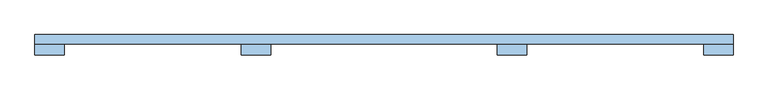
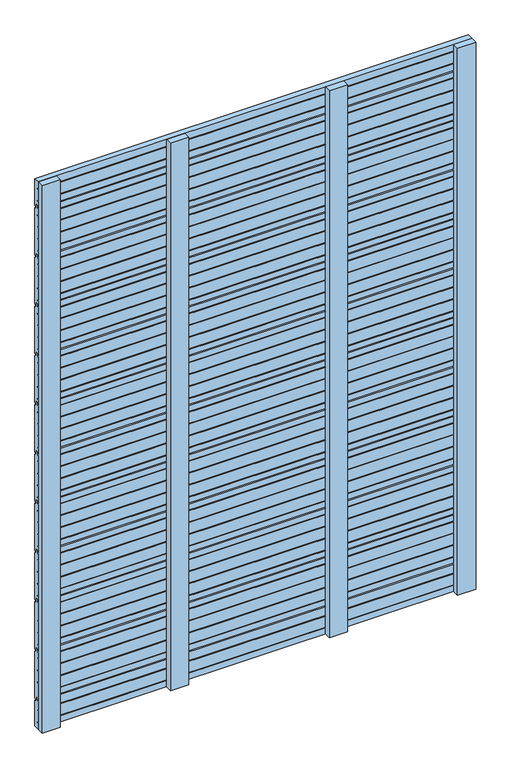
"""IFC4 building model written with IfcOpenShell, lengths in millimetres: window geometry."""

import ifcopenshell
import ifcopenshell.guid

model = None  # the IFC model being written
_history = None  # IfcOwnerHistory: only IFC2X3 demands one
_inside = {}  # id of a spatial element -> (the spatial element, [elements in it])
_under = {}  # id of a project, library or spatial element -> (it, [spatial elements below it])
_declared = {}  # id of a project -> (the project, [libraries it declares])
_typed = {}  # id of a type object -> (the type object, [elements of that type])
_made_of = {}  # id of a material, layer set ... -> (it, [elements and type objects made of it])


def new_model(schema):
    """Start an empty IFC model of exactly this schema.

    Asked for "IFC4X3", IfcOpenShell would pick the latest addendum, in which some entities
    have other attributes; the version numbers below select the first issue.
    IFC2X3 requires an IfcOwnerHistory on every rooted entity: one is made here for all.
    """
    global model, _history
    if schema == "IFC4X3":
        model = ifcopenshell.file(schema_version=(4, 3, 0, 0))
    else:
        model = ifcopenshell.file(schema=schema)
    _inside.clear()
    _under.clear()
    _declared.clear()
    _typed.clear()
    _made_of.clear()
    _history = None
    if model.schema == "IFC2X3":
        org = make("IfcOrganization", Name="unknown")
        user = make(
            "IfcPersonAndOrganization",
            ThePerson=make("IfcPerson", FamilyName="unknown"),
            TheOrganization=org,
        )
        app = make(
            "IfcApplication",
            ApplicationDeveloper=org,
            Version="unknown",
            ApplicationFullName="unknown",
            ApplicationIdentifier="unknown",
        )
        _history = make(
            "IfcOwnerHistory",
            OwningUser=user,
            OwningApplication=app,
            ChangeAction="ADDED",
            CreationDate=0,
        )
    return model


def make(cls, **values):
    """One entity of the class cls with the attributes given. An attribute that is None is left unset."""
    return model.create_entity(
        cls, **{name: value for name, value in values.items() if value is not None}
    )


def rooted(cls, **values):
    """An entity with a GlobalId (a new one), such as an element, a storey or a relation."""
    return make(cls, GlobalId=ifcopenshell.guid.new(), OwnerHistory=_history, **values)


def si_unit(unit_type, name, prefix=None):
    """IfcSIUnit, for example si_unit("LENGTHUNIT", "METRE", prefix="MILLI")."""
    return make("IfcSIUnit", UnitType=unit_type, Prefix=prefix, Name=name)


def assignment(units):
    """IfcUnitAssignment: the units of a project."""
    return None if units is None else make("IfcUnitAssignment", Units=units)


def point(xyz):
    """IfcCartesianPoint."""
    return None if xyz is None else make("IfcCartesianPoint", Coordinates=xyz)


def direction(xyz):
    """IfcDirection."""
    return None if xyz is None else make("IfcDirection", DirectionRatios=xyz)


def frame(location, z_axis=None, x_axis=None):
    """IfcAxis2Placement3D, a coordinate frame: its origin and axes. An axis left out is left unset."""
    return make(
        "IfcAxis2Placement3D",
        Location=point(location),
        Axis=direction(z_axis),
        RefDirection=direction(x_axis),
    )


def origin():
    """The frame at (0, 0, 0) with its axes left unset."""
    return frame((0.0, 0.0, 0.0))


def place(relative_to, where):
    """IfcLocalPlacement: puts the frame where relative to a parent placement (None: the world)."""
    return make(
        "IfcLocalPlacement", PlacementRelTo=relative_to, RelativePlacement=where
    )


def context(
    kind, dimensions, precision=None, world=None, true_north=None, identifier=None
):
    """IfcGeometricRepresentationContext, for example the 3D "Model" context."""
    return make(
        "IfcGeometricRepresentationContext",
        ContextIdentifier=identifier,
        ContextType=kind,
        CoordinateSpaceDimension=dimensions,
        Precision=precision,
        WorldCoordinateSystem=world,
        TrueNorth=true_north,
    )


def project(units=None, contexts=None):
    """IfcProject with its units and contexts."""
    return rooted(
        "IfcProject",
        Name="project",
        RepresentationContexts=contexts,
        UnitsInContext=assignment(units),
    )


def spatial(cls, under=None, at=None, **own):
    """A site, building, storey or space (cls), placed at a placement, below another one or the project."""
    s = rooted(cls, ObjectPlacement=at, **own)
    if under is not None:
        _under.setdefault(under.id(), (under, []))[1].append(s)
    return s


def polyline(points):
    """IfcPolyline through the points."""
    return make("IfcPolyline", Points=[point(p) for p in points])


def outline(outer, holes=None, kind="AREA"):
    """IfcArbitraryClosedProfileDef: a profile drawn as a closed curve; with holes, ...WithVoids."""
    if holes is None:
        return make("IfcArbitraryClosedProfileDef", ProfileType=kind, OuterCurve=outer)
    return make(
        "IfcArbitraryProfileDefWithVoids",
        ProfileType=kind,
        OuterCurve=outer,
        InnerCurves=holes,
    )


def extrude(swept, where, along, depth):
    """IfcExtrudedAreaSolid: the profile swept, set in the frame where, extruded along a direction by depth."""
    return make(
        "IfcExtrudedAreaSolid",
        SweptArea=swept,
        Position=where,
        ExtrudedDirection=direction(along),
        Depth=depth,
    )


def shape(context_of_items, identifier, shape_type, items):
    """IfcShapeRepresentation: the items that make up one representation, for example the "Body"."""
    return make(
        "IfcShapeRepresentation",
        ContextOfItems=context_of_items,
        RepresentationIdentifier=identifier,
        RepresentationType=shape_type,
        Items=items,
    )


def source(mapping_origin, context_of_items, identifier, shape_type, items):
    """IfcRepresentationMap: a shape defined once, which mapped items show again and again."""
    return make(
        "IfcRepresentationMap",
        MappingOrigin=mapping_origin,
        MappedRepresentation=shape(context_of_items, identifier, shape_type, items),
    )


def transform(
    local_origin,
    x_axis=None,
    y_axis=None,
    z_axis=None,
    scale=None,
    scale2=None,
    scale3=None,
    uniform=True,
):
    """IfcCartesianTransformationOperator3D, or its non-uniform kind. x_axis, y_axis, z_axis: its Axis1, 2, 3."""
    if uniform:
        return make(
            "IfcCartesianTransformationOperator3D",
            Axis1=direction(x_axis),
            Axis2=direction(y_axis),
            LocalOrigin=point(local_origin),
            Scale=scale,
            Axis3=direction(z_axis),
        )
    return make(
        "IfcCartesianTransformationOperator3DnonUniform",
        Axis1=direction(x_axis),
        Axis2=direction(y_axis),
        LocalOrigin=point(local_origin),
        Scale=scale,
        Axis3=direction(z_axis),
        Scale2=scale2,
        Scale3=scale3,
    )


def mapped(mapping_source, mapping_target):
    """IfcMappedItem: shows the shape of a source again, moved by a transform."""
    return make(
        "IfcMappedItem", MappingSource=mapping_source, MappingTarget=mapping_target
    )


def made_of(thing, what):
    """Note that an element or type object is made of a material, layer set ...; save() writes the relation."""
    if what is not None:
        _made_of.setdefault(what.id(), (what, []))[1].append(thing)
    return thing


def element(
    cls,
    number,
    at=None,
    inside=None,
    cuts=None,
    type_object=None,
    material=None,
    context=None,
    identifier="Body",
    shape_type=None,
    held_by="IfcProductDefinitionShape",
    body=None,
    shapes=None,
    **own,
):
    """One element of the class cls, such as IfcWall. Its Tag is "e" and its number.

    at: its placement. inside: the storey or other place that contains it. cuts: it is an
    opening in that element (IfcRelVoidsElement). A single representation is given by context,
    identifier, shape_type and body (its items); several are given by shapes. held_by: the class
    of the entity that holds the representations. save() writes the other relations.
    """
    e = rooted(cls, Tag="e%d" % number, ObjectPlacement=at, **own)
    if body is not None:
        shapes = [shape(context, identifier, shape_type, body)]
    if shapes is not None:
        e.Representation = make(held_by, Representations=shapes)
    if inside is not None:
        _inside.setdefault(inside.id(), (inside, []))[1].append(e)
    if cuts is not None:
        rooted(
            "IfcRelVoidsElement", RelatingBuildingElement=cuts, RelatedOpeningElement=e
        )
    if type_object is not None:
        _typed.setdefault(type_object.id(), (type_object, []))[1].append(e)
    return made_of(e, material)


def aggregate(whole, parts):
    """IfcRelAggregates: a whole, such as a stair, and the parts it consists of."""
    return rooted("IfcRelAggregates", RelatingObject=whole, RelatedObjects=parts)


def save(model, path):
    """Write the relations noted so far, then the file.

    IfcRelAggregates (storeys below a building ...), IfcRelContainedInSpatialStructure (elements
    in a storey), IfcRelDefinesByType, IfcRelAssociatesMaterial and IfcRelDeclares: one each for
    every whole, place, type object, material and project.
    """
    for whole, parts in _under.values():
        aggregate(whole, parts)
    for where, things in _inside.values():
        rooted(
            "IfcRelContainedInSpatialStructure",
            RelatedElements=things,
            RelatingStructure=where,
        )
    for kind, things in _typed.values():
        rooted("IfcRelDefinesByType", RelatedObjects=things, RelatingType=kind)
    for what, things in _made_of.values():
        rooted("IfcRelAssociatesMaterial", RelatedObjects=things, RelatingMaterial=what)
    for by, libraries in _declared.values():
        rooted("IfcRelDeclares", RelatingContext=by, RelatedDefinitions=libraries)
    model.write(path)


def window_fbe2d760(model_context):
    return source(origin(), model_context, "Body", "SweptSolid", [
        extrude(outline(polyline([(144.0, 203.0), (141.0, 200.0), (137.0, 200.0), (137.0, 212.0), (131.0, 212.0), (131.0, 204.0), (124.0, 204.0), (124.0, 224.6889298), (130.0, 224.6889298), (130.0, 228.1889298), (124.0, 228.1889298), (124.0, 268.25), (130.0, 268.25), (130.0, 271.75), (124.0, 271.75), (124.0, 311.8110702), (130.0, 311.8110702), (130.0, 315.3110702), (124.0, 315.3110702), (124.0, 355.3721403), (130.0, 355.3721403), (130.0, 358.8721403), (124.0, 358.8721403), (124.0, 380.0), (131.0, 380.0), (131.0, 390.0), (137.0, 390.0), (137.0, 376.0), (141.0, 376.0), (144.0, 373.0), (144.0, 203.0)])), frame((-750.0, 0.0, 0.0), z_axis=(1.0, 0.0, 0.0), x_axis=(0.0, 1.0, 0.0)), (0.0, 0.0, 1.0), 1500.0),
        extrude(outline(polyline([(144.0, 383.0), (141.0, 380.0), (137.0, 380.0), (137.0, 392.0), (131.0, 392.0), (131.0, 384.0), (124.0, 384.0), (124.0, 404.6889298), (130.0, 404.6889298), (130.0, 408.1889298), (124.0, 408.1889298), (124.0, 448.25), (130.0, 448.25), (130.0, 451.75), (124.0, 451.75), (124.0, 491.8110702), (130.0, 491.8110702), (130.0, 495.3110702), (124.0, 495.3110702), (124.0, 535.3721403), (130.0, 535.3721403), (130.0, 538.8721403), (124.0, 538.8721403), (124.0, 560.0), (131.0, 560.0), (131.0, 570.0), (137.0, 570.0), (137.0, 556.0), (141.0, 556.0), (144.0, 553.0), (144.0, 383.0)])), frame((-750.0, 0.0, 0.0), z_axis=(1.0, 0.0, 0.0), x_axis=(0.0, 1.0, 0.0)), (0.0, 0.0, 1.0), 1500.0),
        extrude(outline(polyline([(144.0, 563.0), (141.0, 560.0), (137.0, 560.0), (137.0, 572.0), (131.0, 572.0), (131.0, 564.0), (124.0, 564.0), (124.0, 584.6889298), (130.0, 584.6889298), (130.0, 588.1889298), (124.0, 588.1889298), (124.0, 628.25), (130.0, 628.25), (130.0, 631.75), (124.0, 631.75), (124.0, 671.8110702), (130.0, 671.8110702), (130.0, 675.3110702), (124.0, 675.3110702), (124.0, 715.3721403), (130.0, 715.3721403), (130.0, 718.8721403), (124.0, 718.8721403), (124.0, 740.0), (131.0, 740.0), (131.0, 750.0), (137.0, 750.0), (137.0, 736.0), (141.0, 736.0), (144.0, 733.0), (144.0, 563.0)])), frame((-750.0, 0.0, 0.0), z_axis=(1.0, 0.0, 0.0), x_axis=(0.0, 1.0, 0.0)), (0.0, 0.0, 1.0), 1500.0),
        extrude(outline(polyline([(144.0, 743.0), (141.0, 740.0), (137.0, 740.0), (137.0, 752.0), (131.0, 752.0), (131.0, 744.0), (124.0, 744.0), (124.0, 764.6889298), (130.0, 764.6889298), (130.0, 768.1889298), (124.0, 768.1889298), (124.0, 808.25), (130.0, 808.25), (130.0, 811.75), (124.0, 811.75), (124.0, 851.8110702), (130.0, 851.8110702), (130.0, 855.3110702), (124.0, 855.3110702), (124.0, 895.3721403), (130.0, 895.3721403), (130.0, 898.8721403), (124.0, 898.8721403), (124.0, 920.0), (131.0, 920.0), (131.0, 930.0), (137.0, 930.0), (137.0, 916.0), (141.0, 916.0), (144.0, 913.0), (144.0, 743.0)])), frame((-750.0, 0.0, 0.0), z_axis=(1.0, 0.0, 0.0), x_axis=(0.0, 1.0, 0.0)), (0.0, 0.0, 1.0), 1500.0),
        extrude(outline(polyline([(144.0, 923.0), (141.0, 920.0), (137.0, 920.0), (137.0, 932.0), (131.0, 932.0), (131.0, 924.0), (124.0, 924.0), (124.0, 944.6889298), (130.0, 944.6889298), (130.0, 948.1889298), (124.0, 948.1889298), (124.0, 988.25), (130.0, 988.25), (130.0, 991.75), (124.0, 991.75), (124.0, 1031.8110702), (130.0, 1031.8110702), (130.0, 1035.3110702), (124.0, 1035.3110702), (124.0, 1075.3721403), (130.0, 1075.3721403), (130.0, 1078.8721403), (124.0, 1078.8721403), (124.0, 1100.0), (131.0, 1100.0), (131.0, 1110.0), (137.0, 1110.0), (137.0, 1096.0), (141.0, 1096.0), (144.0, 1093.0), (144.0, 923.0)])), frame((-750.0, 0.0, 0.0), z_axis=(1.0, 0.0, 0.0), x_axis=(0.0, 1.0, 0.0)), (0.0, 0.0, 1.0), 1500.0),
        extrude(outline(polyline([(144.0, 1103.0), (141.0, 1100.0), (137.0, 1100.0), (137.0, 1112.0), (131.0, 1112.0), (131.0, 1104.0), (124.0, 1104.0), (124.0, 1124.6889298), (130.0, 1124.6889298), (130.0, 1128.1889298), (124.0, 1128.1889298), (124.0, 1168.25), (130.0, 1168.25), (130.0, 1171.75), (124.0, 1171.75), (124.0, 1211.8110702), (130.0, 1211.8110702), (130.0, 1215.3110702), (124.0, 1215.3110702), (124.0, 1255.3721403), (130.0, 1255.3721403), (130.0, 1258.8721403), (124.0, 1258.8721403), (124.0, 1280.0), (131.0, 1280.0), (131.0, 1290.0), (137.0, 1290.0), (137.0, 1276.0), (141.0, 1276.0), (144.0, 1273.0), (144.0, 1103.0)])), frame((-750.0, 0.0, 0.0), z_axis=(1.0, 0.0, 0.0), x_axis=(0.0, 1.0, 0.0)), (0.0, 0.0, 1.0), 1500.0),
        extrude(outline(polyline([(144.0, 1283.0), (141.0, 1280.0), (137.0, 1280.0), (137.0, 1292.0), (131.0, 1292.0), (131.0, 1284.0), (124.0, 1284.0), (124.0, 1304.6889298), (130.0, 1304.6889298), (130.0, 1308.1889298), (124.0, 1308.1889298), (124.0, 1348.25), (130.0, 1348.25), (130.0, 1351.75), (124.0, 1351.75), (124.0, 1391.8110702), (130.0, 1391.8110702), (130.0, 1395.3110702), (124.0, 1395.3110702), (124.0, 1435.3721403), (130.0, 1435.3721403), (130.0, 1438.8721403), (124.0, 1438.8721403), (124.0, 1460.0), (131.0, 1460.0), (131.0, 1470.0), (137.0, 1470.0), (137.0, 1456.0), (141.0, 1456.0), (144.0, 1453.0), (144.0, 1283.0)])), frame((-750.0, 0.0, 0.0), z_axis=(1.0, 0.0, 0.0), x_axis=(0.0, 1.0, 0.0)), (0.0, 0.0, 1.0), 1500.0),
        extrude(outline(polyline([(144.0, 1463.0), (141.0, 1460.0), (137.0, 1460.0), (137.0, 1472.0), (131.0, 1472.0), (131.0, 1464.0), (124.0, 1464.0), (124.0, 1484.6889298), (130.0, 1484.6889298), (130.0, 1488.1889298), (124.0, 1488.1889298), (124.0, 1528.25), (130.0, 1528.25), (130.0, 1531.75), (124.0, 1531.75), (124.0, 1571.8110702), (130.0, 1571.8110702), (130.0, 1575.3110702), (124.0, 1575.3110702), (124.0, 1615.3721403), (130.0, 1615.3721403), (130.0, 1618.8721403), (124.0, 1618.8721403), (124.0, 1640.0), (131.0, 1640.0), (131.0, 1650.0), (137.0, 1650.0), (137.0, 1636.0), (141.0, 1636.0), (144.0, 1633.0), (144.0, 1463.0)])), frame((-750.0, 0.0, 0.0), z_axis=(1.0, 0.0, 0.0), x_axis=(0.0, 1.0, 0.0)), (0.0, 0.0, 1.0), 1500.0),
        extrude(outline(polyline([(144.0, 1643.0), (141.0, 1640.0), (137.0, 1640.0), (137.0, 1652.0), (131.0, 1652.0), (131.0, 1644.0), (124.0, 1644.0), (124.0, 1664.6889298), (130.0, 1664.6889298), (130.0, 1668.1889298), (124.0, 1668.1889298), (124.0, 1708.25), (130.0, 1708.25), (130.0, 1711.75), (124.0, 1711.75), (124.0, 1751.8110702), (130.0, 1751.8110702), (130.0, 1755.3110702), (124.0, 1755.3110702), (124.0, 1795.3721403), (130.0, 1795.3721403), (130.0, 1798.8721403), (124.0, 1798.8721403), (124.0, 1820.0), (131.0, 1820.0), (131.0, 1830.0), (137.0, 1830.0), (137.0, 1816.0), (141.0, 1816.0), (144.0, 1813.0), (144.0, 1643.0)])), frame((-750.0, 0.0, 0.0), z_axis=(1.0, 0.0, 0.0), x_axis=(0.0, 1.0, 0.0)), (0.0, 0.0, 1.0), 1500.0),
        extrude(outline(polyline([(144.0, 1823.0), (141.0, 1820.0), (137.0, 1820.0), (137.0, 1832.0), (131.0, 1832.0), (131.0, 1824.0), (124.0, 1824.0), (124.0, 1844.6889298), (130.0, 1844.6889298), (130.0, 1848.1889298), (124.0, 1848.1889298), (124.0, 1888.25), (130.0, 1888.25), (130.0, 1891.75), (124.0, 1891.75), (124.0, 1931.8110702), (130.0, 1931.8110702), (130.0, 1935.3110702), (124.0, 1935.3110702), (124.0, 1975.3721403), (130.0, 1975.3721403), (130.0, 1978.8721403), (124.0, 1978.8721403), (124.0, 2000.0), (131.0, 2000.0), (131.0, 2010.0), (137.0, 2010.0), (137.0, 1996.0), (141.0, 1996.0), (144.0, 1993.0), (144.0, 1823.0)])), frame((-750.0, 0.0, 0.0), z_axis=(1.0, 0.0, 0.0), x_axis=(0.0, 1.0, 0.0)), (0.0, 0.0, 1.0), 1500.0),
        extrude(outline(polyline([(144.0, 100.0), (124.0, 100.0), (124.0, 121.8110702), (130.0, 121.8110702), (130.0, 125.3110702), (124.0, 125.3110702), (124.0, 165.3721403), (130.0, 165.3721403), (130.0, 168.8721403), (124.0, 168.8721403), (124.0, 200.0), (131.0, 200.0), (131.0, 210.0), (137.0, 210.0), (137.0, 196.0), (141.0, 196.0), (144.0, 193.0), (144.0, 100.0)])), frame((-750.0, 0.0, 0.0), z_axis=(1.0, 0.0, 0.0), x_axis=(0.0, 1.0, 0.0)), (0.0, 0.0, 1.0), 1500.0),
        extrude(outline(polyline([(144.0, 2003.0), (141.0, 2000.0), (137.0, 2000.0), (137.0, 2012.0), (131.0, 2012.0), (131.0, 2004.0), (124.0, 2004.0), (124.0, 2028.25), (130.0, 2028.25), (130.0, 2031.75), (124.0, 2031.75), (124.0, 2071.8110702), (130.0, 2071.8110702), (130.0, 2075.3110702), (124.0, 2075.3110702), (124.0, 2100.0), (144.0, 2100.0), (144.0, 2003.0)])), frame((-750.0, 0.0, 0.0), z_axis=(1.0, 0.0, 0.0), x_axis=(0.0, 1.0, 0.0)), (0.0, 0.0, 1.0), 1500.0),
        extrude(outline(polyline([(-306.5, 124.0), (-243.5, 124.0), (-243.5, 100.0), (-306.5, 100.0), (-306.5, 124.0)])), frame((0.0, 0.0, 100.0), z_axis=(0.0, 0.0, 1.0), x_axis=(1.0, 0.0, 0.0)), (0.0, 0.0, 1.0), 2000.0),
        extrude(outline(polyline([(243.5, 124.0), (306.5, 124.0), (306.5, 100.0), (243.5, 100.0), (243.5, 124.0)])), frame((0.0, 0.0, 100.0), z_axis=(0.0, 0.0, 1.0), x_axis=(1.0, 0.0, 0.0)), (0.0, 0.0, 1.0), 2000.0),
        extrude(outline(polyline([(-750.0, 124.0), (-687.0, 124.0), (-687.0, 100.0), (-750.0, 100.0), (-750.0, 124.0)])), frame((0.0, 0.0, 100.0), z_axis=(0.0, 0.0, 1.0), x_axis=(1.0, 0.0, 0.0)), (0.0, 0.0, 1.0), 2000.0),
        extrude(outline(polyline([(687.0, 124.0), (750.0, 124.0), (750.0, 100.0), (687.0, 100.0), (687.0, 124.0)])), frame((0.0, 0.0, 100.0), z_axis=(0.0, 0.0, 1.0), x_axis=(1.0, 0.0, 0.0)), (0.0, 0.0, 1.0), 2000.0),
    ])


if __name__ == "__main__":
    model = new_model("IFC4")
    model_context = context("Model", 3, world=origin())
    ifc_project = project(units=[si_unit("LENGTHUNIT", "METRE", prefix="MILLI")], contexts=[model_context])
    site = spatial("IfcSite", under=ifc_project)
    building = spatial("IfcBuilding", under=site)
    placement = place(None, origin())
    window_shape = window_fbe2d760(model_context)
    element("IfcWindow", 1, at=placement, inside=building, context=model_context, shape_type="MappedRepresentation", body=[
        mapped(window_shape, transform((0.0, 0.0, 0.0), x_axis=(1.0, 0.0, 0.0), y_axis=(0.0, 1.0, 0.0), z_axis=(0.0, 0.0, 1.0))),
    ])
    save(model, "model.ifc")
